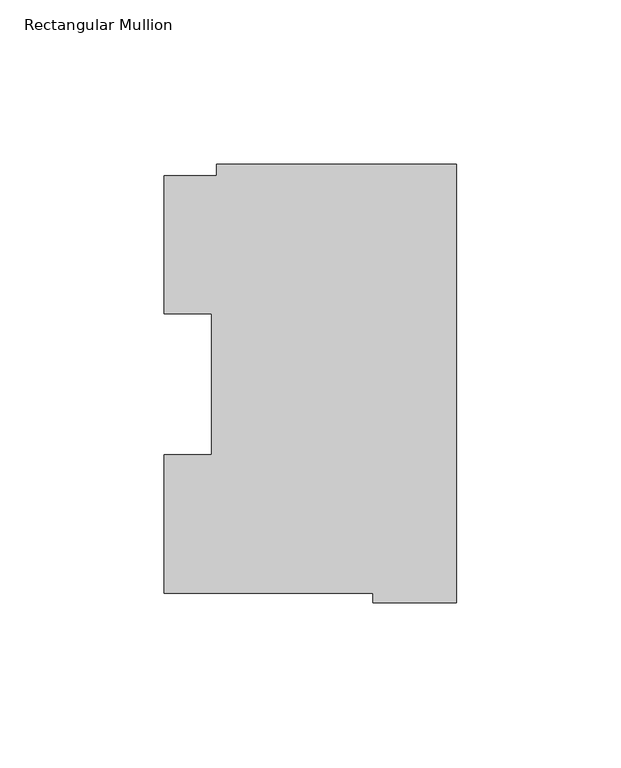
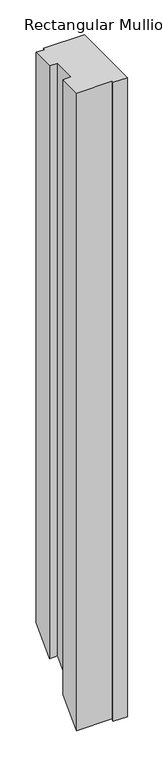
"""IFC4 building model written with IfcOpenShell, lengths in millimetres: member geometry, Rectangular Mullion."""

from ifc_helpers import new_model, si_unit, origin, place, context, project, spatial, faceted_brep, source, transform, mapped, element, save


def rectangular_mullion_38b90c35(model_context):
    return source(origin(), model_context, "Body", "Brep", [
        faceted_brep([(-73.025, 130.1270275, 0.0), (-73.025, 126.7086938, 0.0), (-88.8823253, 126.7086938, 0.0), (-88.8823253, 84.6335938, 0.0), (-74.4735473, 84.6335938, 0.0), (-74.4735473, 41.7837928, 0.0), (-88.8823253, 41.7837928, 0.0), (-88.8823253, -0.2913097, 0.0), (-25.3823253, -0.2913097, 0.0), (-25.3823253, -3.2371943, 0.0), (0.0, -3.2371943, 0.0), (0.0, 130.1270275, 0.0), (-73.025, 130.1270275, -1076.0816663), (-73.025, 126.7086938, -1079.5), (-88.8823253, 126.7086938, -1079.5), (-88.8823253, 84.6335938, -1121.5751), (-74.4735473, 84.6335938, -1121.5751), (-74.4735473, 41.7837928, -1164.4249009), (-88.8823253, 41.7837928, -1164.4249009), (-88.8823253, -0.2913097, -1206.5000035), (-25.3823253, -0.2913097, -1206.5000035), (-25.3823253, -3.2371943, -1209.445888), (0.0, -3.2371943, -1209.445888), (0.0, 130.1270275, -1076.0816663)], [[[0, 1, 2, 3, 4, 5, 6, 7, 8, 9, 10, 11]], [[1, 0, 12, 13]], [[2, 1, 13, 14]], [[3, 2, 14, 15]], [[4, 3, 15, 16]], [[5, 4, 16, 17]], [[6, 5, 17, 18]], [[7, 6, 18, 19]], [[8, 7, 19, 20]], [[9, 8, 20, 21]], [[10, 9, 21, 22]], [[11, 10, 22, 23]], [[0, 11, 23, 12]], [[12, 23, 22, 21, 20, 19, 18, 17, 16, 15, 14, 13]]]),
    ])


if __name__ == "__main__":
    model = new_model("IFC4")
    model_context = context("Model", 3, world=origin())
    ifc_project = project(units=[si_unit("LENGTHUNIT", "METRE", prefix="MILLI")], contexts=[model_context])
    site = spatial("IfcSite", under=ifc_project)
    building = spatial("IfcBuilding", under=site)
    placement = place(None, origin())
    rectangular_mullion_shape = rectangular_mullion_38b90c35(model_context)
    element("IfcMember", 1, ObjectType="Rectangular Mullion", at=placement, inside=building, context=model_context, shape_type="MappedRepresentation", body=[
        mapped(rectangular_mullion_shape, transform((0.0, 0.0, 0.0), x_axis=(1.0, 0.0, 0.0), y_axis=(0.0, 1.0, 0.0), z_axis=(0.0, 0.0, 1.0))),
    ])
    save(model, "model.ifc")
